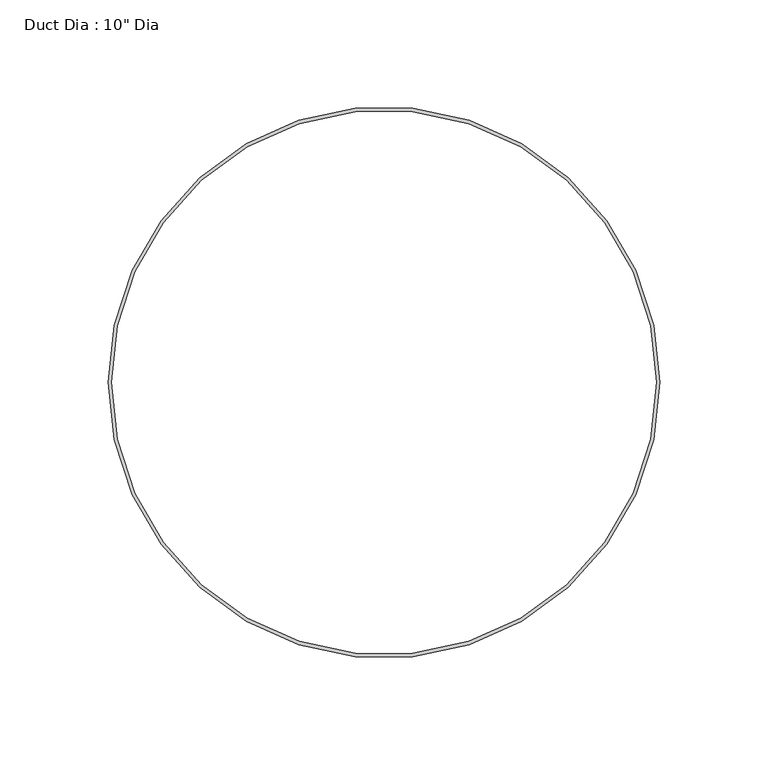
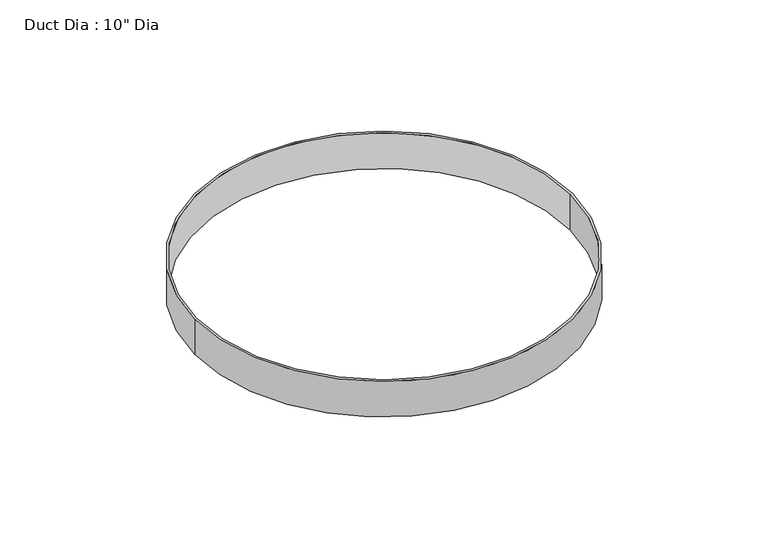
"""IFC4 building model written with IfcOpenShell, lengths in millimetres: proxy geometry."""

from ifc_helpers import new_model, si_unit, point, origin, origin_with_axes, origin_2d, place, context, project, spatial, circle_curve, trimmed, segment, composite_curve, outline, extrude, source, transform, mapped, element, save


def proxy_d1c08f61(model_context):
    return source(origin(), model_context, "Body", "SweptSolid", [
        extrude(outline(composite_curve([segment(trimmed(circle_curve(origin_2d(), 127.0), [point((-127.0, 0.0))], [point((127.0, 0.0))], False, "CARTESIAN"), True, "CONTINUOUS"), segment(trimmed(circle_curve(origin_2d(), 127.0), [point((127.0, 0.0))], [point((-127.0, 0.0))], False, "CARTESIAN"), True, "CONTINUOUS")], self_intersect=False), holes=[composite_curve([segment(trimmed(circle_curve(origin_2d(), 125.4125), [point((-125.4125, 0.0))], [point((125.4125, 0.0))], True, "CARTESIAN"), True, "CONTINUOUS"), segment(trimmed(circle_curve(origin_2d(), 125.4125), [point((125.4125, 0.0))], [point((-125.4125, 0.0))], True, "CARTESIAN"), True, "CONTINUOUS")], self_intersect=False)]), origin_with_axes(), (0.0, 0.0, 1.0), 25.4),
    ])


if __name__ == "__main__":
    model = new_model("IFC4")
    model_context = context("Model", 3, world=origin())
    ifc_project = project(units=[si_unit("LENGTHUNIT", "METRE", prefix="MILLI")], contexts=[model_context])
    site = spatial("IfcSite", under=ifc_project)
    building = spatial("IfcBuilding", under=site)
    placement = place(None, origin())
    proxy_shape = proxy_d1c08f61(model_context)
    element("IfcBuildingElementProxy", 1, Name="Duct Dia : 10\" Dia", ObjectType="Duct Dia : 10\" Dia", at=placement, inside=building, context=model_context, shape_type="MappedRepresentation", body=[
        mapped(proxy_shape, transform((0.0, 0.0, 0.0), x_axis=(1.0, 0.0, 0.0), y_axis=(0.0, 1.0, 0.0), z_axis=(0.0, 0.0, 1.0))),
    ])
    save(model, "model.ifc")
